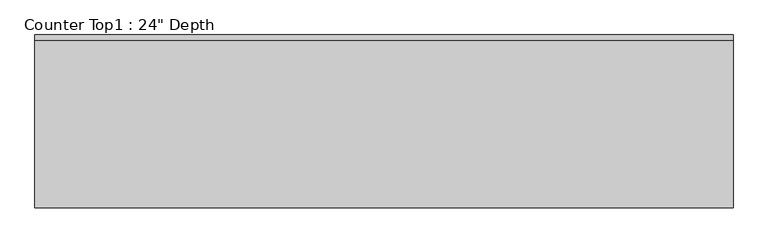
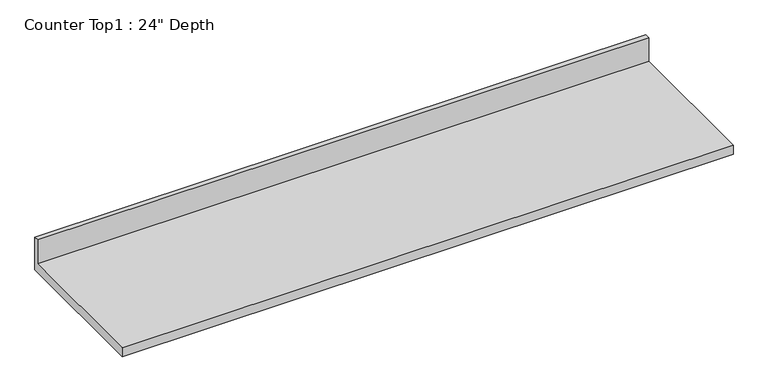
"""IFC4 building model written with IfcOpenShell, lengths in millimetres: furniture geometry."""

from ifc_helpers import new_model, si_unit, frame, origin, place, context, project, spatial, polyline, outline, extrude, source, transform, mapped, element, save


def furniture_52cad589(model_context):
    return source(origin(), model_context, "Body", "SweptSolid", [
        extrude(outline(polyline([(0.0, 1016.0), (0.0, 876.3), (-609.6, 876.3), (-609.6, 914.4), (-19.05, 914.4), (-19.05, 1016.0), (0.0, 1016.0)])), frame((-1200.4622951, 0.0, 0.0), z_axis=(1.0, 0.0, 0.0), x_axis=(0.0, 1.0, 0.0)), (0.0, 0.0, 1.0), 2463.8),
    ])


if __name__ == "__main__":
    model = new_model("IFC4")
    model_context = context("Model", 3, world=origin())
    ifc_project = project(units=[si_unit("LENGTHUNIT", "METRE", prefix="MILLI")], contexts=[model_context])
    site = spatial("IfcSite", under=ifc_project)
    building = spatial("IfcBuilding", under=site)
    placement = place(None, origin())
    furniture_shape = furniture_52cad589(model_context)
    element("IfcFurniture", 1, ObjectType="Counter Top1 : 24\" Depth", at=placement, inside=building, context=model_context, shape_type="MappedRepresentation", body=[
        mapped(furniture_shape, transform((0.0, 0.0, 0.0), x_axis=(1.0, 0.0, 0.0), y_axis=(0.0, 1.0, 0.0), z_axis=(0.0, 0.0, 1.0))),
    ])
    save(model, "model.ifc")
